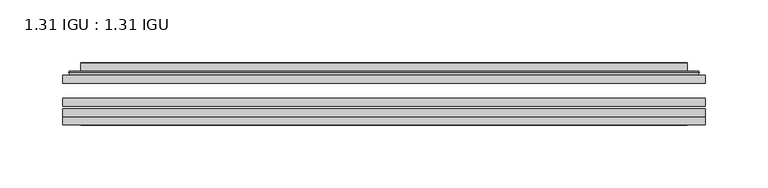
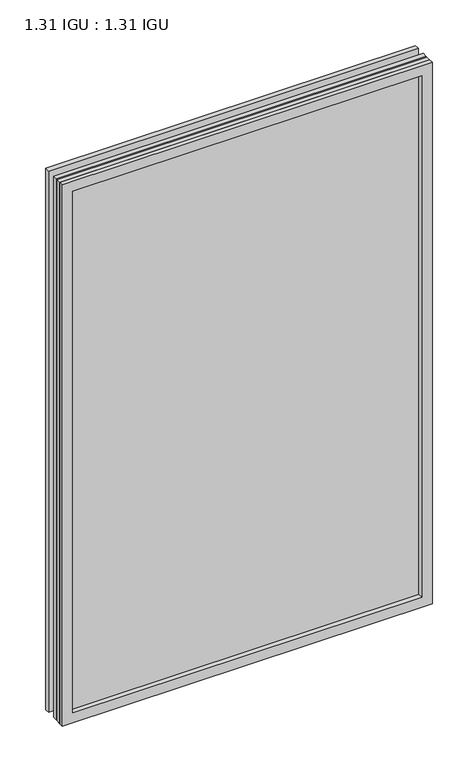
"""IFC4 building model written with IfcOpenShell, lengths in millimetres: plate geometry, 1.31 IGU : 1.31 IGU."""

from ifc_helpers import new_model, si_unit, frame, origin, place, context, project, spatial, polyline, ellipse_curve, outline, extrude, faceted_brep, source, transform, mapped, element, save
from ifc_brep_helpers import plane_surface, cylinder_surface, advanced_brep


def plate_1_31_igu_1_31_igu_c430da83(model_context):
    return source(origin(), model_context, "Body", "SolidModel", [
        extrude(outline(polyline([(255.601675, -63.2975937), (255.601675, -69.6475938), (-255.5875, -69.6475938), (-255.5875, -63.2975937), (255.601675, -63.2975937)])), frame((0.0, 0.0, -14.2875), z_axis=(0.0, 0.0, 1.0), x_axis=(1.0, 0.0, 0.0)), (0.0, 0.0, 1.0), 790.596575),
        extrude(outline(polyline([(-255.5875, -78.2835938), (-255.5875, -71.9330887), (255.601675, -71.9330887), (255.601675, -78.2835938), (-255.5875, -78.2835938)])), frame((0.0, 0.0, -14.2875), z_axis=(0.0, 0.0, 1.0), x_axis=(1.0, 0.0, 0.0)), (0.0, 0.0, 1.0), 790.596575),
        extrude(outline(polyline([(255.601675, -44.9587937), (255.601675, -51.3087938), (-255.5875, -51.3087938), (-255.5875, -44.9587937), (255.601675, -44.9587937)])), frame((0.0, 0.0, -14.2875), z_axis=(0.0, 0.0, 1.0), x_axis=(1.0, 0.0, 0.0)), (0.0, 0.0, 1.0), 790.596575),
        faceted_brep([(-255.6002, -84.6335937, 776.3179772), (-255.6002, -78.2835937, 776.3179772), (-255.6002, -78.2835937, -14.3002), (-255.6002, -84.6335937, -14.3002), (255.6002, -78.2835937, -14.3002), (255.6002, -84.6335937, -14.3002), (255.6002, -78.2835937, 776.3179772), (255.6002, -84.6335937, 776.3179772), (-240.4022559, -78.2835937, 0.8977441), (240.4022559, -78.2835937, 0.8977441), (240.4022559, -78.2835937, 761.120033), (-240.4022559, -78.2835937, 761.120033), (-241.2946902, -84.6335937, 762.0124673), (241.2946902, -84.6335937, 762.0124673), (241.2946902, -84.6335937, 0.0053098), (-241.2946902, -84.6335937, 0.0053098)], [[[0, 1, 2, 3]], [[3, 2, 4, 5]], [[5, 4, 6, 7]], [[1, 6, 4, 2], [8, 9, 10, 11]], [[7, 6, 1, 0]], [[3, 5, 7, 0], [12, 13, 14, 15]], [[11, 12, 15, 8]], [[8, 15, 14, 9]], [[9, 14, 13, 10]], [[10, 13, 12, 11]]]),
        advanced_brep(
        [(-248.346219, -44.9587937, 769.0639962), (-250.7004244, -42.9691271, 771.4182015), (-250.7004244, -42.9691271, -9.4004244), (-248.346219, -44.9587937, -7.046219), (-239.2718939, -41.1187568, 759.9896711), (-234.3370621, -44.9587937, 755.0548392), (-234.3370621, -44.9587937, 6.9629379), (-239.2718939, -41.1187568, 2.0281061), (-240.3039217, -35.7215256, 761.0216988), (-240.3039217, -35.7215256, 0.9960783), (-241.2945784, -35.3225507, 762.0123556), (-241.2945784, -35.3225507, 0.0054216), (-241.2945784, -41.7837937, 762.0123556), (-241.2945784, -41.7837937, 0.0054216), (-249.6986349, -41.7837937, 770.416412), (-249.6986349, -41.7837937, -8.3986349), (250.7004244, -42.9691271, -9.4004244), (248.346219, -44.9587937, -7.046219), (234.3370621, -44.9587937, 6.9629379), (239.2718939, -41.1187568, 2.0281061), (240.3039217, -35.7215256, 0.9960783), (241.2945784, -35.3225507, 0.0054216), (241.2945784, -41.7837937, 0.0054216), (249.6986349, -41.7837937, -8.3986349), (250.7004244, -42.9691271, 771.4182015), (248.346219, -44.9587937, 769.0639962), (234.3370621, -44.9587937, 755.0548392), (239.2718939, -41.1187568, 759.9896711), (240.3039217, -35.7215256, 761.0216988), (241.2945784, -35.3225507, 762.0123556), (241.2945784, -41.7837937, 762.0123556), (249.6986349, -41.7837937, 770.416412)],
        [
            (0, 1, ellipse_curve(frame((-248.346219, -42.5711937, 769.0639962), z_axis=(-0.7071067811865475, 0.0, -0.7071067811865475), x_axis=(-0.7071067811865474, 0.0, 0.7071067811865476)), 3.3765763, 2.3876)),
            (1, 2),
            (2, 3, ellipse_curve(frame((-248.346219, -42.5711937, -7.046219), z_axis=(-0.7071067811865475, 0.0, 0.7071067811865475), x_axis=(0.7071067811865474, 0.0, 0.7071067811865476)), 3.3765763, 2.3876)),
            (3, 0),
            (4, 5),
            (5, 6),
            (6, 7),
            (7, 4),
            (8, 4),
            (7, 9),
            (9, 8),
            (10, 8, ellipse_curve(frame((-240.9276219, -35.840786, 761.645399), z_axis=(-0.7071067811865475, 0.0, -0.7071067811865475), x_axis=(-0.7071067811865474, 0.0, 0.7071067811865476)), 0.8980256, 0.635)),
            (9, 11, ellipse_curve(frame((-240.9276219, -35.840786, 0.3723781), z_axis=(-0.7071067811865475, 0.0, 0.7071067811865475), x_axis=(0.7071067811865474, 0.0, 0.7071067811865476)), 0.8980256, 0.635)),
            (11, 10),
            (12, 10),
            (11, 13),
            (13, 12),
            (1, 14, ellipse_curve(frame((-249.6986349, -42.7997937, 770.416412), z_axis=(-0.7071067811865475, 0.0, -0.7071067811865475), x_axis=(-0.7071067811865474, 0.0, 0.7071067811865476)), 1.436841, 1.016)),
            (14, 15),
            (15, 2, ellipse_curve(frame((-249.6986349, -42.7997937, -8.3986349), z_axis=(-0.7071067811865475, 0.0, 0.7071067811865475), x_axis=(0.7071067811865474, 0.0, 0.7071067811865476)), 1.436841, 1.016)),
            (2, 16),
            (16, 17, ellipse_curve(frame((248.346219, -42.5711937, -7.046219), z_axis=(-0.7071067811865475, 0.0, -0.7071067811865475), x_axis=(-0.7071067811865476, 0.0, 0.7071067811865474)), 3.3765763, 2.3876)),
            (17, 3),
            (6, 18),
            (18, 19),
            (19, 7),
            (19, 20),
            (20, 9),
            (20, 21, ellipse_curve(frame((240.9276219, -35.840786, 0.3723781), z_axis=(-0.7071067811865475, 0.0, -0.7071067811865475), x_axis=(-0.7071067811865476, 0.0, 0.7071067811865474)), 0.8980256, 0.635)),
            (21, 11),
            (21, 22),
            (22, 13),
            (15, 23),
            (23, 16, ellipse_curve(frame((249.6986349, -42.7997937, -8.3986349), z_axis=(-0.7071067811865475, 0.0, -0.7071067811865475), x_axis=(-0.7071067811865476, 0.0, 0.7071067811865474)), 1.436841, 1.016)),
            (16, 24),
            (24, 25, ellipse_curve(frame((248.346219, -42.5711937, 769.0639962), z_axis=(0.7071067811865475, 0.0, -0.7071067811865475), x_axis=(-0.7071067811865474, 0.0, -0.7071067811865476)), 3.3765763, 2.3876)),
            (25, 17),
            (18, 26),
            (26, 27),
            (27, 19),
            (27, 28),
            (28, 20),
            (28, 29, ellipse_curve(frame((240.9276219, -35.840786, 761.645399), z_axis=(0.7071067811865475, 0.0, -0.7071067811865475), x_axis=(-0.7071067811865474, 0.0, -0.7071067811865476)), 0.8980256, 0.635)),
            (29, 21),
            (29, 30),
            (30, 22),
            (23, 31),
            (31, 24, ellipse_curve(frame((249.6986349, -42.7997937, 770.416412), z_axis=(0.7071067811865475, 0.0, -0.7071067811865475), x_axis=(-0.7071067811865474, 0.0, -0.7071067811865476)), 1.436841, 1.016)),
            (24, 1),
            (0, 25),
            (5, 26),
            (4, 27),
            (8, 28),
            (10, 29),
            (12, 30),
            (14, 31),
        ],
        [
            cylinder_surface(frame((-248.346219, -42.5711937, 793.7677772), z_axis=(0.0, 0.0, 1.0), x_axis=(-1.0, 0.0, 0.0)), 2.3876),
            plane_surface(frame((-234.3370621, -44.9587937, 755.0548392), z_axis=(0.6141233906514794, 0.7892100234124821, 0.0), x_axis=(0.0, 0.0, -1.0))),
            plane_surface(frame((-239.2718939, -41.1187568, 759.9896711), z_axis=(0.9822050625507729, 0.18781164793386076, 0.0), x_axis=(0.0, 0.0, -1.0))),
            cylinder_surface(frame((-240.9276219, -35.840786, 793.7677772), z_axis=(0.0, 0.0, 1.0), x_axis=(-1.0, 0.0, 0.0)), 0.635),
            plane_surface(frame((-241.2945784, -35.3225507, 762.0123556), z_axis=(-1.0, 0.0, 0.0), x_axis=(0.0, 0.0, -1.0))),
            cylinder_surface(frame((-249.6986349, -42.7997937, 793.7677772), z_axis=(0.0, 0.0, 1.0), x_axis=(-1.0, 0.0, 0.0)), 1.016),
            cylinder_surface(frame((-273.05, -42.5711937, -7.046219), z_axis=(-1.0, 0.0, 0.0), x_axis=(0.0, 0.0, -1.0)), 2.3876),
            plane_surface(frame((-234.3370621, -44.9587937, 6.9629379), z_axis=(0.0, 0.7892100234124841, 0.6141233906514768), x_axis=(1.0, 0.0, 0.0))),
            plane_surface(frame((-239.2718939, -41.1187568, 2.0281061), z_axis=(0.0, 0.18781164793386393, 0.9822050625507723), x_axis=(1.0, 0.0, 0.0))),
            cylinder_surface(frame((-273.05, -35.840786, 0.3723781), z_axis=(-1.0, 0.0, 0.0), x_axis=(0.0, 0.0, -1.0)), 0.635),
            plane_surface(frame((-241.2945784, -35.3225507, 0.0054216), z_axis=(0.0, 0.0, -1.0), x_axis=(1.0, 0.0, 0.0))),
            cylinder_surface(frame((-273.05, -42.7997937, -8.3986349), z_axis=(-1.0, 0.0, 0.0), x_axis=(0.0, 0.0, -1.0)), 1.016),
            cylinder_surface(frame((248.346219, -42.5711937, -31.75), z_axis=(0.0, 0.0, -1.0), x_axis=(1.0, 0.0, 0.0)), 2.3876),
            plane_surface(frame((234.3370621, -44.9587937, 6.9629379), z_axis=(-0.6141233906514743, 0.7892100234124861, 0.0), x_axis=(0.0, 0.0, 1.0))),
            plane_surface(frame((239.2718939, -41.1187568, 2.0281061), z_axis=(-0.9822050625507718, 0.1878116479338671, 0.0), x_axis=(0.0, 0.0, 1.0))),
            cylinder_surface(frame((240.9276219, -35.840786, -31.75), z_axis=(0.0, 0.0, -1.0), x_axis=(1.0, 0.0, 0.0)), 0.635),
            plane_surface(frame((241.2945784, -35.3225507, 0.0054216), z_axis=(1.0, 0.0, 0.0), x_axis=(0.0, 0.0, 1.0))),
            cylinder_surface(frame((249.6986349, -42.7997937, -31.75), z_axis=(0.0, 0.0, -1.0), x_axis=(1.0, 0.0, 0.0)), 1.016),
            cylinder_surface(frame((273.05, -42.5711937, 769.0639962), z_axis=(1.0, 0.0, 0.0), x_axis=(0.0, 0.0, 1.0)), 2.3876),
            plane_surface(frame((248.346219, -44.9587937, 769.0639962), z_axis=(0.0, -1.0, 0.0), x_axis=(-1.0, 0.0, 0.0))),
            plane_surface(frame((234.3370621, -44.9587937, 755.0548392), z_axis=(0.0, 0.7892100234124841, -0.6141233906514768), x_axis=(-1.0, 0.0, 0.0))),
            plane_surface(frame((239.2718939, -41.1187568, 759.9896711), z_axis=(0.0, 0.18781164793386393, -0.9822050625507723), x_axis=(-1.0, 0.0, 0.0))),
            cylinder_surface(frame((273.05, -35.840786, 761.645399), z_axis=(1.0, 0.0, 0.0), x_axis=(0.0, 0.0, 1.0)), 0.635),
            plane_surface(frame((241.2945784, -35.3225507, 762.0123556), z_axis=(0.0, 0.0, 1.0), x_axis=(-1.0, 0.0, 0.0))),
            plane_surface(frame((241.2945784, -41.7837937, 762.0123556), z_axis=(0.0, 1.0, 0.0), x_axis=(-1.0, 0.0, 0.0))),
            cylinder_surface(frame((273.05, -42.7997937, 770.416412), z_axis=(1.0, 0.0, 0.0), x_axis=(0.0, 0.0, 1.0)), 1.016),
        ],
        [
            (0, [[1, 2, 3, 4]]),
            (1, [[5, 6, 7, 8]]),
            (2, [[9, -8, 10, 11]]),
            (3, [[12, -11, 13, 14]]),
            (4, [[15, -14, 16, 17]]),
            (5, [[18, 19, 20, -2]]),
            (6, [[-3, 21, 22, 23]]),
            (7, [[-7, 24, 25, 26]]),
            (8, [[-10, -26, 27, 28]]),
            (9, [[-13, -28, 29, 30]]),
            (10, [[-16, -30, 31, 32]]),
            (11, [[-20, 33, 34, -21]]),
            (12, [[-22, 35, 36, 37]]),
            (13, [[-25, 38, 39, 40]]),
            (14, [[-27, -40, 41, 42]]),
            (15, [[-29, -42, 43, 44]]),
            (16, [[-31, -44, 45, 46]]),
            (17, [[-34, 47, 48, -35]]),
            (18, [[-36, 49, -1, 50]]),
            (19, [[-23, -37, -50, -4], [51, -38, -24, -6]]),
            (20, [[-39, -51, -5, 52]]),
            (21, [[-41, -52, -9, 53]]),
            (22, [[-43, -53, -12, 54]]),
            (23, [[-45, -54, -15, 55]]),
            (24, [[56, -47, -33, -19], [-32, -46, -55, -17]]),
            (25, [[-48, -56, -18, -49]]),
        ],
    ),
    ])


if __name__ == "__main__":
    model = new_model("IFC4")
    model_context = context("Model", 3, world=origin())
    ifc_project = project(units=[si_unit("LENGTHUNIT", "METRE", prefix="MILLI")], contexts=[model_context])
    site = spatial("IfcSite", under=ifc_project)
    building = spatial("IfcBuilding", under=site)
    placement = place(None, origin())
    plate_1_31_igu_1_31_igu_shape = plate_1_31_igu_1_31_igu_c430da83(model_context)
    element("IfcPlate", 1, ObjectType="1.31 IGU : 1.31 IGU", at=placement, inside=building, context=model_context, shape_type="MappedRepresentation", body=[
        mapped(plate_1_31_igu_1_31_igu_shape, transform((0.0, 0.0, 0.0), x_axis=(1.0, 0.0, 0.0), y_axis=(0.0, 1.0, 0.0), z_axis=(0.0, 0.0, 1.0))),
    ])
    save(model, "model.ifc")
